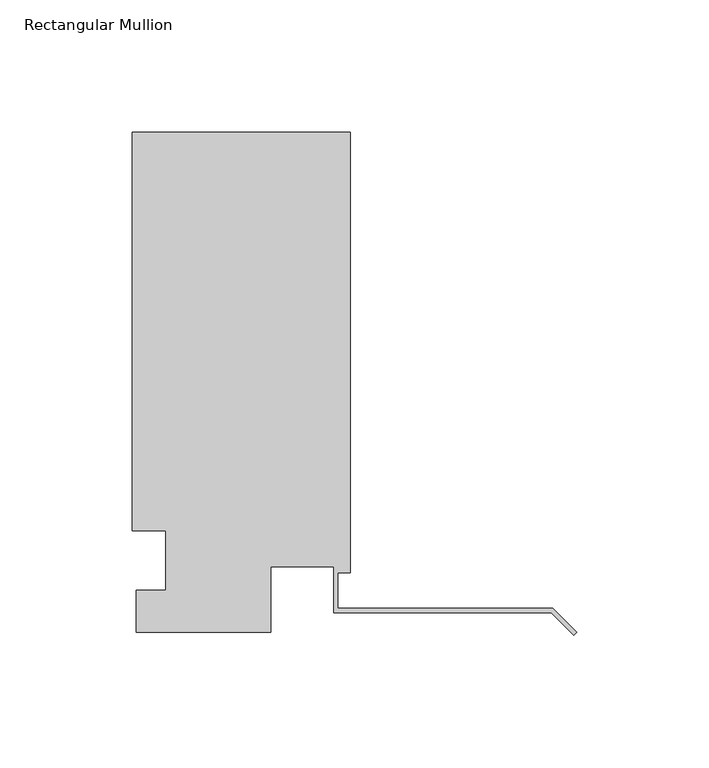
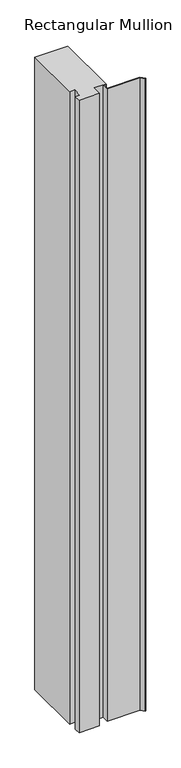
"""IFC4 building model written with IfcOpenShell, lengths in millimetres: member geometry, Rectangular Mullion."""

from ifc_helpers import new_model, si_unit, frame, origin, place, context, project, spatial, polyline, outline, extrude, source, transform, mapped, element, save


def rectangular_mullion_074e86b9(model_context):
    return source(origin(), model_context, "Body", "SweptSolid", [
        extrude(outline(polyline([(-166.5396311, -0.3532188), (-166.5396311, 15.5217812), (-155.4144311, 15.5217812), (-155.4144311, 38.0007813), (-168.1144311, 38.0007813), (-168.1144311, 188.8132813), (-85.5771311, 188.8132813), (-85.5771311, 22.1257812), (-90.3396311, 22.1257812), (-90.3396311, 8.7383736), (-8.9802561, 8.7383736), (0.0, -0.2418825), (-1.122532, -1.3644146), (-9.6378202, 7.1508736), (-91.9271311, 7.1508736), (-91.9271311, 24.5133812), (-115.7396311, 24.5133812), (-115.7396311, -0.3532188), (-166.5396311, -0.3532188)])), frame((0.0, 0.0, -1676.4), z_axis=(0.0, 0.0, 1.0), x_axis=(1.0, 0.0, 0.0)), (0.0, 0.0, 1.0), 1676.4),
    ])


if __name__ == "__main__":
    model = new_model("IFC4")
    model_context = context("Model", 3, world=origin())
    ifc_project = project(units=[si_unit("LENGTHUNIT", "METRE", prefix="MILLI")], contexts=[model_context])
    site = spatial("IfcSite", under=ifc_project)
    building = spatial("IfcBuilding", under=site)
    placement = place(None, origin())
    rectangular_mullion_shape = rectangular_mullion_074e86b9(model_context)
    element("IfcMember", 1, ObjectType="Rectangular Mullion", at=placement, inside=building, context=model_context, shape_type="MappedRepresentation", body=[
        mapped(rectangular_mullion_shape, transform((0.0, 0.0, 0.0), x_axis=(1.0, 0.0, 0.0), y_axis=(0.0, 1.0, 0.0), z_axis=(0.0, 0.0, 1.0))),
    ])
    save(model, "model.ifc")
